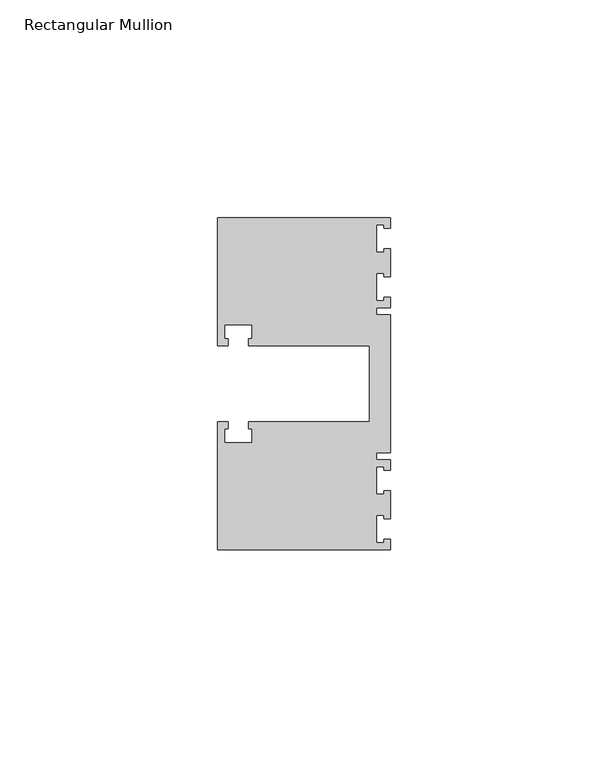
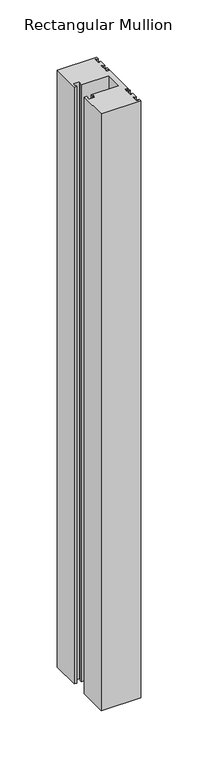
"""IFC4 building model written with IfcOpenShell, lengths in millimetres: member geometry, Rectangular Mullion."""

from ifc_helpers import new_model, si_unit, frame, origin, place, context, project, spatial, polyline, outline, extrude, source, transform, mapped, element, save


def rectangular_mullion_e59d0e03(model_context):
    return source(origin(), model_context, "Body", "SweptSolid", [
        extrude(outline(polyline([(0.0, -38.1), (-39.6875, -38.1), (-39.6875, -8.73125), (-37.30625, -8.73125), (-37.30625, -10.31875), (-38.1, -10.31875), (-38.1, -13.49375), (-31.75, -13.49375), (-31.75, -10.31875), (-32.54375, -10.31875), (-32.54375, -8.73125), (-4.8585733, -8.73125), (-4.8585733, 8.73125), (-32.54375, 8.73125), (-32.54375, 10.31875), (-31.75, 10.31875), (-31.75, 13.49375), (-38.1, 13.49375), (-38.1, 10.31875), (-37.30625, 10.31875), (-37.30625, 8.73125), (-39.6875, 8.73125), (-39.6875, 38.1), (0.0, 38.1), (0.0, 35.71875), (-1.4999946, 35.71875), (-1.4999946, 36.5125), (-3.175, 36.5125), (-3.175, 30.1625), (-1.4999946, 30.1625), (-1.4999946, 30.95625), (0.0, 30.95625), (0.0, 24.60625), (-1.4999946, 24.60625), (-1.4999946, 25.4), (-3.175, 25.4), (-3.175, 19.05), (-1.4999946, 19.05), (-1.4999946, 19.84375), (0.0, 19.84375), (0.0, 17.4625), (-3.175, 17.4625), (-3.175, 15.875), (0.0, 15.875), (0.0, -15.875), (-3.175, -15.875), (-3.175, -17.4625), (0.0, -17.4625), (0.0, -19.84375), (-1.4999946, -19.84375), (-1.4999946, -19.05), (-3.175, -19.05), (-3.175, -25.4), (-1.4999946, -25.4), (-1.4999946, -24.60625), (0.0, -24.60625), (0.0, -30.95625), (-1.4999946, -30.95625), (-1.4999946, -30.1625), (-3.175, -30.1625), (-3.175, -36.5125), (-1.4999946, -36.5125), (-1.4999946, -35.71875), (0.0, -35.71875), (0.0, -38.1)])), frame((0.0, 0.0, -635.0), z_axis=(0.0, 0.0, 1.0), x_axis=(1.0, 0.0, 0.0)), (0.0, 0.0, 1.0), 635.0),
    ])


if __name__ == "__main__":
    model = new_model("IFC4")
    model_context = context("Model", 3, world=origin())
    ifc_project = project(units=[si_unit("LENGTHUNIT", "METRE", prefix="MILLI")], contexts=[model_context])
    site = spatial("IfcSite", under=ifc_project)
    building = spatial("IfcBuilding", under=site)
    placement = place(None, origin())
    rectangular_mullion_shape = rectangular_mullion_e59d0e03(model_context)
    element("IfcMember", 1, ObjectType="Rectangular Mullion", at=placement, inside=building, context=model_context, shape_type="MappedRepresentation", body=[
        mapped(rectangular_mullion_shape, transform((0.0, 0.0, 0.0), x_axis=(1.0, 0.0, 0.0), y_axis=(0.0, 1.0, 0.0), z_axis=(0.0, 0.0, 1.0))),
    ])
    save(model, "model.ifc")
